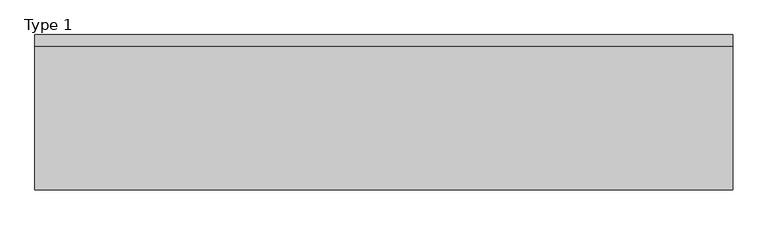
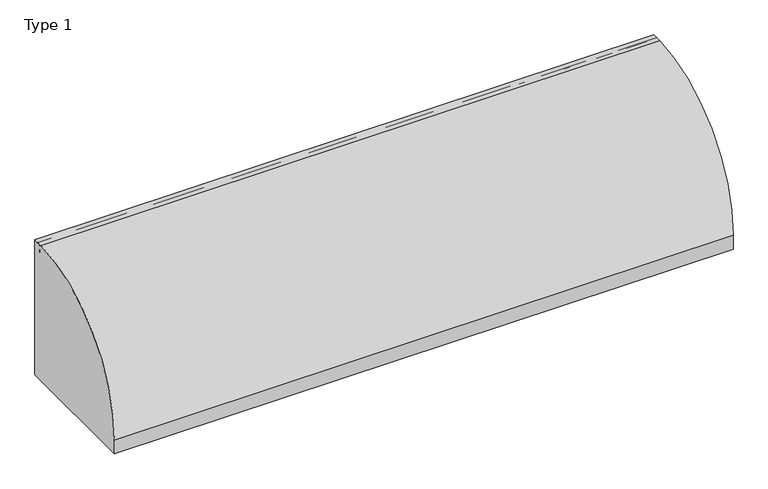
"""IFC4 building model written with IfcOpenShell, lengths in millimetres: railing geometry, Type 1."""

from ifc_helpers import new_model, si_unit, point, frame, frame_2d, origin, place, context, project, spatial, polyline, circle_curve, trimmed, segment, composite_curve, outline, extrude, source, transform, mapped, element, save
from ifc_brep_helpers import plane_surface, cylinder_surface, revolved_surface, advanced_brep


def type_1_77585fd4(model_context):
    return source(origin(), model_context, "Body", "SolidModel", [
        extrude(outline(composite_curve([segment(polyline([(824.2, 1050.0), (824.2, 0.0), (-187.2, 0.0), (-187.2, 108.0)]), True, "CONTINUOUS"), segment(trimmed(circle_curve(frame_2d((754.8273072, 108.0)), 942.0273072), [point((-187.2, 108.0))], [point((747.6546144, 1050.0))], False, "CARTESIAN"), True, "CONTINUOUS"), segment(polyline([(747.6546144, 1050.0), (824.2, 1050.0)]), True, "CONTINUOUS")], self_intersect=False)), frame((-1230.0, 0.0, 0.0), z_axis=(1.0, 0.0, 0.0), x_axis=(0.0, 1.0, 0.0)), (0.0, 0.0, 1.0), 4545.0),
        extrude(outline(composite_curve([segment(polyline([(727.7, 530.617273), (731.7, 530.617273), (731.7, 545.382727), (727.7, 545.382727)]), True, "CONTINUOUS"), segment(trimmed(circle_curve(frame_2d((746.287505, 538.0)), 20.0), [point((727.7, 545.382727))], [point((762.0, 550.3740657))], False, "CARTESIAN"), True, "CONTINUOUS"), segment(polyline([(762.0, 550.3740657), (762.0, 525.6259343)]), True, "CONTINUOUS"), segment(trimmed(circle_curve(frame_2d((746.287505, 538.0)), 20.0), [point((762.0, 525.6259343))], [point((727.7, 530.617273))], False, "CARTESIAN"), True, "CONTINUOUS")], self_intersect=False)), frame((-1180.0, 0.0, 0.0), z_axis=(1.0, 0.0, 0.0), x_axis=(0.0, 1.0, 0.0)), (0.0, 0.0, 1.0), 4475.0),
        extrude(outline(composite_curve([segment(polyline([(802.0, 1011.43534), (802.0, 993.0), (801.0, 993.0), (801.0, 1008.0), (761.0, 1008.0), (761.0, 993.0), (760.0, 993.0), (760.0, 1011.43534)]), True, "CONTINUOUS"), segment(trimmed(circle_curve(frame_2d((781.0, 1025.0)), 25.0), [point((760.0, 1011.43534))], [point((802.0, 1011.43534))], False, "CARTESIAN"), True, "CONTINUOUS")], self_intersect=False)), frame((-1230.0, 0.0, 0.0), z_axis=(1.0, 0.0, 0.0), x_axis=(0.0, 1.0, 0.0)), (0.0, 0.0, 1.0), 4545.0),
        extrude(outline(composite_curve([segment(polyline([(800.0, 185.0), (800.0, 0.0), (598.1818182, 0.0), (598.1818182, 41.5250756)]), True, "CONTINUOUS"), segment(trimmed(circle_curve(frame_2d((609.3939394, 41.5250756)), 11.2121212), [point((598.1818182, 41.5250756))], [point((601.4657725, 49.4532425))], False, "CARTESIAN"), True, "CONTINUOUS"), segment(polyline([(601.4657725, 49.4532425), (715.6668272, 163.6542973)]), True, "CONTINUOUS"), segment(trimmed(circle_curve(frame_2d((767.1999123, 112.1212122)), 72.8787879), [point((715.6668272, 163.6542973))], [point((767.1999123, 185.0))], False, "CARTESIAN"), True, "CONTINUOUS"), segment(polyline([(767.1999123, 185.0), (800.0, 185.0)]), True, "CONTINUOUS")], self_intersect=False), holes=[composite_curve([segment(trimmed(circle_curve(frame_2d((778.6969697, 93.0361975)), 67.389419), [point((711.3075507, 93.0361975))], [point((770.5995631, 159.9373619))], False, "CARTESIAN"), True, "CONTINUOUS"), segment(trimmed(circle_curve(frame_2d((770.8668077, 157.7293747)), 2.2241014), [point((770.5995631, 159.9373619))], [point((773.0909091, 157.7293747))], False, "CARTESIAN"), True, "CONTINUOUS"), segment(polyline([(773.0909091, 157.7293747), (773.0909091, 143.5676849)]), True, "CONTINUOUS"), segment(trimmed(circle_curve(frame_2d((778.6969697, 143.5676849)), 5.6060606), [point((773.0909091, 143.5676849))], [point((784.3030303, 143.5676849))], True, "CARTESIAN"), True, "CONTINUOUS"), segment(polyline([(784.3030303, 143.5676849), (784.3030303, 166.0316771)]), True, "CONTINUOUS"), segment(trimmed(circle_curve(frame_2d((778.6969697, 166.0316771)), 5.6060606), [point((784.3030303, 166.0316771))], [point((778.6969697, 171.6377377))], True, "CARTESIAN"), True, "CONTINUOUS"), segment(trimmed(circle_curve(frame_2d((778.6969697, 93.0361975)), 78.6015402), [point((778.6969697, 171.6377377))], [point((700.0954295, 93.0361975))], True, "CARTESIAN"), True, "CONTINUOUS"), segment(trimmed(circle_curve(frame_2d((705.7014901, 93.0361975)), 5.6060606), [point((700.0954295, 93.0361975))], [point((711.3075507, 93.0361975))], True, "CARTESIAN"), True, "CONTINUOUS")], self_intersect=False)]), frame((1315.0, 0.0, 0.0), z_axis=(1.0, 0.0, 0.0), x_axis=(0.0, 1.0, 0.0)), (0.0, 0.0, 1.0), 2.5),
        advanced_brep(
        [(1382.5, 800.0, 185.0), (1382.5, 800.0, 100.9768515), (1382.5, 800.0, 0.0), (1382.5, 598.1818182, 0.0), (1382.5, 598.1818182, 41.5250756), (1382.5, 601.4657725, 49.4532425), (1382.5, 715.6668272, 163.6542973), (1382.5, 767.1999123, 185.0), (1382.5, 711.3075507, 93.0361975), (1382.5, 770.5995631, 159.9373619), (1382.5, 773.0909091, 157.7293747), (1382.5, 773.0909091, 143.5676849), (1382.5, 784.3030303, 143.5676849), (1382.5, 784.3030303, 166.0316771), (1382.5, 778.6969697, 171.6377377), (1382.5, 700.0954295, 93.0361975), (1385.0, 800.0, 0.0), (1385.0, 800.0, 100.9768515), (1385.0, 802.0, 100.9768515), (1385.0, 802.0, 185.0), (1385.0, 767.1999123, 185.0), (1385.0, 715.6668272, 163.6542973), (1385.0, 601.4657725, 49.4532425), (1385.0, 598.1818182, 41.5250756), (1385.0, 598.1818182, 0.0), (1385.0, 711.3075507, 93.0361975), (1385.0, 700.0954295, 93.0361975), (1385.0, 778.6969697, 171.6377377), (1385.0, 784.3030303, 166.0316771), (1385.0, 784.3030303, 143.5676849), (1385.0, 773.0909091, 143.5676849), (1385.0, 773.0909091, 157.7293747), (1385.0, 770.5995631, 159.9373619), (1315.0, 802.0, 185.0), (1315.0, 800.0, 185.0), (1315.0, 802.0, 100.9768515), (1315.0, 800.0, 100.9768515)],
        [
            (0, 1),
            (1, 2),
            (2, 3),
            (3, 4),
            (4, 5, circle_curve(frame((1382.5, 609.3939394, 41.5250756), z_axis=(-1.0, 0.0, 0.0), x_axis=(0.0, 1.0, 0.0)), 11.2121212)),
            (5, 6),
            (6, 7, circle_curve(frame((1382.5, 767.1999123, 112.1212122), z_axis=(-1.0, 0.0, 0.0), x_axis=(0.0, 1.0, 0.0)), 72.8787879)),
            (7, 0),
            (8, 9, circle_curve(frame((1382.5, 778.6969697, 93.0361975), z_axis=(-1.0, 0.0, 0.0), x_axis=(0.0, 1.0, 0.0)), 67.389419)),
            (9, 10, circle_curve(frame((1382.5, 770.8668077, 157.7293747), z_axis=(-1.0, 0.0, 0.0), x_axis=(0.0, 1.0, 0.0)), 2.2241014)),
            (10, 11),
            (11, 12, circle_curve(frame((1382.5, 778.6969697, 143.5676849), z_axis=(1.0, 0.0, 0.0), x_axis=(0.0, 1.0, 0.0)), 5.6060606)),
            (12, 13),
            (13, 14, circle_curve(frame((1382.5, 778.6969697, 166.0316771), z_axis=(1.0, 0.0, 0.0), x_axis=(0.0, 1.0, 0.0)), 5.6060606)),
            (14, 15, circle_curve(frame((1382.5, 778.6969697, 93.0361975), z_axis=(1.0, 0.0, 0.0), x_axis=(0.0, 1.0, 0.0)), 78.6015402)),
            (15, 8, circle_curve(frame((1382.5, 705.7014901, 93.0361975), z_axis=(1.0, 0.0, 0.0), x_axis=(0.0, 1.0, 0.0)), 5.6060606)),
            (16, 17),
            (17, 18),
            (18, 19),
            (19, 20),
            (20, 21, circle_curve(frame((1385.0, 767.1999123, 112.1212122), z_axis=(1.0, 0.0, 0.0), x_axis=(0.0, 1.0, 0.0)), 72.8787879)),
            (21, 22),
            (22, 23, circle_curve(frame((1385.0, 609.3939394, 41.5250756), z_axis=(1.0, 0.0, 0.0), x_axis=(0.0, 1.0, 0.0)), 11.2121212)),
            (23, 24),
            (24, 16),
            (25, 26, circle_curve(frame((1385.0, 705.7014901, 93.0361975), z_axis=(-1.0, 0.0, 0.0), x_axis=(0.0, 1.0, 0.0)), 5.6060606)),
            (26, 27, circle_curve(frame((1385.0, 778.6969697, 93.0361975), z_axis=(-1.0, 0.0, 0.0), x_axis=(0.0, 1.0, 0.0)), 78.6015402)),
            (27, 28, circle_curve(frame((1385.0, 778.6969697, 166.0316771), z_axis=(-1.0, 0.0, 0.0), x_axis=(0.0, 1.0, 0.0)), 5.6060606)),
            (28, 29),
            (29, 30, circle_curve(frame((1385.0, 778.6969697, 143.5676849), z_axis=(-1.0, 0.0, 0.0), x_axis=(0.0, 1.0, 0.0)), 5.6060606)),
            (30, 31),
            (31, 32, circle_curve(frame((1385.0, 770.8668077, 157.7293747), z_axis=(1.0, 0.0, 0.0), x_axis=(0.0, 1.0, 0.0)), 2.2241014)),
            (32, 25, circle_curve(frame((1385.0, 778.6969697, 93.0361975), z_axis=(1.0, 0.0, 0.0), x_axis=(0.0, 1.0, 0.0)), 67.389419)),
            (7, 20),
            (19, 33),
            (33, 34),
            (34, 0),
            (6, 21),
            (5, 22),
            (4, 23),
            (3, 24),
            (2, 16),
            (1, 17),
            (15, 26),
            (25, 8),
            (14, 27),
            (13, 28),
            (32, 9),
            (12, 29),
            (11, 30),
            (10, 31),
            (18, 35),
            (35, 33),
            (36, 1),
            (34, 36),
            (35, 36),
        ],
        [
            plane_surface(frame((1382.5, 798.2270223, 185.0), z_axis=(-1.0, 0.0, 0.0), x_axis=(0.0, -1.0, 0.0))),
            plane_surface(frame((1385.0, 798.2270223, 185.0), z_axis=(1.0, 0.0, 0.0), x_axis=(0.0, 1.0, 0.0))),
            plane_surface(frame((1382.5, 800.0, 185.0), z_axis=(0.0, 0.0, 1.0), x_axis=(1.0, 0.0, 0.0))),
            cylinder_surface(frame((1385.0, 767.1999123, 112.1212122), z_axis=(-1.0, 0.0, 0.0), x_axis=(0.0, 1.0, 0.0)), 72.8787879),
            plane_surface(frame((1382.5, 715.6668272, 163.6542973), z_axis=(0.0, -0.7071067811865421, 0.7071067811865529), x_axis=(1.0, 0.0, 0.0))),
            cylinder_surface(frame((1385.0, 609.3939394, 41.5250756), z_axis=(-1.0, 0.0, 0.0), x_axis=(0.0, 1.0, 0.0)), 11.2121212),
            plane_surface(frame((1382.5, 598.1818182, 41.5250756), z_axis=(0.0, -1.0, 0.0), x_axis=(1.0, 0.0, 0.0))),
            plane_surface(frame((1382.5, 598.1818182, 0.0), z_axis=(0.0, 0.0, -1.0), x_axis=(1.0, 0.0, 0.0))),
            plane_surface(frame((1382.5, 800.0, 0.0), z_axis=(0.0, 1.0, 0.0), x_axis=(1.0, 0.0, 0.0))),
            revolved_surface(polyline([(1385.0, 711.3075507, 93.0361975), (1382.5, 711.3075507, 93.0361975)]), (1385.0, 705.7014901, 93.0361975), (1.0, 0.0, 0.0)),
            revolved_surface(polyline([(1385.0, 857.2985099, 93.0361975), (1382.5, 857.2985099, 93.0361975)]), (1385.0, 778.6969697, 93.0361975), (1.0, 0.0, 0.0)),
            revolved_surface(polyline([(1385.0, 784.3030302999999, 166.0316771), (1382.5, 784.3030302999999, 166.0316771)]), (1385.0, 778.6969697, 166.0316771), (1.0, 0.0, 0.0)),
            cylinder_surface(frame((1385.0, 778.6969697, 93.0361975), z_axis=(-1.0, 0.0, 0.0), x_axis=(0.0, 1.0, 0.0)), 67.389419),
            plane_surface(frame((1382.5, 784.3030303, 166.0316771), z_axis=(0.0, -1.0, 0.0), x_axis=(1.0, 0.0, 0.0))),
            revolved_surface(polyline([(1385.0, 784.3030302999999, 143.5676849), (1382.5, 784.3030302999999, 143.5676849)]), (1385.0, 778.6969697, 143.5676849), (1.0, 0.0, 0.0)),
            plane_surface(frame((1382.5, 773.0909091, 143.5676849), z_axis=(0.0, 1.0, 0.0), x_axis=(1.0, 0.0, 0.0))),
            cylinder_surface(frame((1385.0, 770.8668077, 157.7293747), z_axis=(-1.0, 0.0, 0.0), x_axis=(0.0, 1.0, 0.0)), 2.2241014),
            plane_surface(frame((1315.0, 802.0, 185.0), z_axis=(0.0, 1.0, 0.0), x_axis=(-1.0, 0.0, 0.0))),
            plane_surface(frame((1315.0, 800.0, 185.0), z_axis=(0.0, -1.0, 0.0), x_axis=(1.0, 0.0, 0.0))),
            plane_surface(frame((1315.0, 802.0, 185.0), z_axis=(-1.0, 0.0, 0.0), x_axis=(0.0, -1.0, 0.0))),
            plane_surface(frame((1315.0, 802.0, 100.9768515), z_axis=(0.0, 0.0, -1.0), x_axis=(0.0, -1.0, 0.0))),
        ],
        [
            (0, [[1, 2, 3, 4, 5, 6, 7, 8], [9, 10, 11, 12, 13, 14, 15, 16]]),
            (1, [[17, 18, 19, 20, 21, 22, 23, 24, 25], [26, 27, 28, 29, 30, 31, 32, 33]]),
            (2, [[34, -20, 35, 36, 37, -8]]),
            (3, [[38, -21, -34, -7]]),
            (4, [[39, -22, -38, -6]]),
            (5, [[40, -23, -39, -5]]),
            (6, [[41, -24, -40, -4]]),
            (7, [[42, -25, -41, -3]]),
            (8, [[-2, 43, -17, -42]]),
            (9, [[44, -26, 45, -16]]),
            (10, [[46, -27, -44, -15]]),
            (11, [[47, -28, -46, -14]]),
            (12, [[-45, -33, 48, -9]]),
            (13, [[49, -29, -47, -13]]),
            (14, [[50, -30, -49, -12]]),
            (15, [[51, -31, -50, -11]]),
            (16, [[-48, -32, -51, -10]]),
            (17, [[-19, 52, 53, -35]]),
            (18, [[54, -1, -37, 55]]),
            (19, [[56, -55, -36, -53]]),
            (20, [[-18, -43, -54, -56, -52]]),
        ],
    ),
        extrude(outline(composite_curve([segment(polyline([(1327.0, 800.0), (1373.0, 800.0)]), True, "CONTINUOUS"), segment(trimmed(circle_curve(frame_2d((1373.0, 795.0)), 5.0), [point((1373.0, 800.0))], [point((1378.0, 795.0))], False, "CARTESIAN"), True, "CONTINUOUS"), segment(polyline([(1378.0, 795.0), (1378.0, 767.0)]), True, "CONTINUOUS"), segment(trimmed(circle_curve(frame_2d((1373.0, 767.0)), 5.0), [point((1378.0, 767.0))], [point((1373.0, 762.0))], False, "CARTESIAN"), True, "CONTINUOUS"), segment(polyline([(1373.0, 762.0), (1327.0, 762.0)]), True, "CONTINUOUS"), segment(trimmed(circle_curve(frame_2d((1327.0, 767.0)), 5.0), [point((1327.0, 762.0))], [point((1322.0, 767.0))], False, "CARTESIAN"), True, "CONTINUOUS"), segment(polyline([(1322.0, 767.0), (1322.0, 795.0)]), True, "CONTINUOUS"), segment(trimmed(circle_curve(frame_2d((1327.0, 795.0)), 5.0), [point((1322.0, 795.0))], [point((1327.0, 800.0))], False, "CARTESIAN"), True, "CONTINUOUS")], self_intersect=False)), frame((0.0, 0.0, 43.0), z_axis=(0.0, 0.0, 1.0), x_axis=(1.0, 0.0, 0.0)), (0.0, 0.0, 1.0), 965.0),
        extrude(outline(composite_curve([segment(polyline([(0.0, 1382.5), (36.5, 1382.5)]), True, "CONTINUOUS"), segment(trimmed(circle_curve(frame_2d((36.5, 1381.0)), 1.5), [point((36.5, 1382.5))], [point((36.5, 1379.5))], False, "CARTESIAN"), True, "CONTINUOUS"), segment(polyline([(36.5, 1379.5), (3.0, 1379.5), (3.0, 1320.5), (36.5, 1320.5)]), True, "CONTINUOUS"), segment(trimmed(circle_curve(frame_2d((36.5, 1319.0)), 1.5), [point((36.5, 1320.5))], [point((36.5, 1317.5))], False, "CARTESIAN"), True, "CONTINUOUS"), segment(polyline([(36.5, 1317.5), (0.0, 1317.5), (0.0, 1382.5)]), True, "CONTINUOUS")], self_intersect=False)), frame((0.0, 0.0, 0.0), z_axis=(0.0, 1.0, 0.0), x_axis=(0.0, 0.0, 1.0)), (0.0, 0.0, 1.0), 800.0),
        extrude(outline(composite_curve([segment(polyline([(800.0, 185.0), (800.0, 0.0), (598.1818182, 0.0), (598.1818182, 41.5250756)]), True, "CONTINUOUS"), segment(trimmed(circle_curve(frame_2d((609.3939394, 41.5250756)), 11.2121212), [point((598.1818182, 41.5250756))], [point((601.4657725, 49.4532425))], False, "CARTESIAN"), True, "CONTINUOUS"), segment(polyline([(601.4657725, 49.4532425), (715.6668272, 163.6542973)]), True, "CONTINUOUS"), segment(trimmed(circle_curve(frame_2d((767.1999123, 112.1212122)), 72.8787879), [point((715.6668272, 163.6542973))], [point((767.1999123, 185.0))], False, "CARTESIAN"), True, "CONTINUOUS"), segment(polyline([(767.1999123, 185.0), (800.0, 185.0)]), True, "CONTINUOUS")], self_intersect=False), holes=[composite_curve([segment(trimmed(circle_curve(frame_2d((778.6969697, 93.0361975)), 67.389419), [point((711.3075507, 93.0361975))], [point((770.5995631, 159.9373619))], False, "CARTESIAN"), True, "CONTINUOUS"), segment(trimmed(circle_curve(frame_2d((770.8668077, 157.7293747)), 2.2241014), [point((770.5995631, 159.9373619))], [point((773.0909091, 157.7293747))], False, "CARTESIAN"), True, "CONTINUOUS"), segment(polyline([(773.0909091, 157.7293747), (773.0909091, 143.5676849)]), True, "CONTINUOUS"), segment(trimmed(circle_curve(frame_2d((778.6969697, 143.5676849)), 5.6060606), [point((773.0909091, 143.5676849))], [point((784.3030303, 143.5676849))], True, "CARTESIAN"), True, "CONTINUOUS"), segment(polyline([(784.3030303, 143.5676849), (784.3030303, 166.0316771)]), True, "CONTINUOUS"), segment(trimmed(circle_curve(frame_2d((778.6969697, 166.0316771)), 5.6060606), [point((784.3030303, 166.0316771))], [point((778.6969697, 171.6377377))], True, "CARTESIAN"), True, "CONTINUOUS"), segment(trimmed(circle_curve(frame_2d((778.6969697, 93.0361975)), 78.6015402), [point((778.6969697, 171.6377377))], [point((700.0954295, 93.0361975))], True, "CARTESIAN"), True, "CONTINUOUS"), segment(trimmed(circle_curve(frame_2d((705.7014901, 93.0361975)), 5.6060606), [point((700.0954295, 93.0361975))], [point((711.3075507, 93.0361975))], True, "CARTESIAN"), True, "CONTINUOUS")], self_intersect=False)]), frame((2637.0, 0.0, 0.0), z_axis=(1.0, 0.0, 0.0), x_axis=(0.0, 1.0, 0.0)), (0.0, 0.0, 1.0), 2.5),
        advanced_brep(
        [(2704.5, 800.0, 185.0), (2704.5, 800.0, 100.9768515), (2704.5, 800.0, 0.0), (2704.5, 598.1818182, 0.0), (2704.5, 598.1818182, 41.5250756), (2704.5, 601.4657725, 49.4532425), (2704.5, 715.6668272, 163.6542973), (2704.5, 767.1999123, 185.0), (2704.5, 711.3075507, 93.0361975), (2704.5, 770.5995631, 159.9373619), (2704.5, 773.0909091, 157.7293747), (2704.5, 773.0909091, 143.5676849), (2704.5, 784.3030303, 143.5676849), (2704.5, 784.3030303, 166.0316771), (2704.5, 778.6969697, 171.6377377), (2704.5, 700.0954295, 93.0361975), (2707.0, 800.0, 0.0), (2707.0, 800.0, 100.9768515), (2707.0, 802.0, 100.9768515), (2707.0, 802.0, 185.0), (2707.0, 767.1999123, 185.0), (2707.0, 715.6668272, 163.6542973), (2707.0, 601.4657725, 49.4532425), (2707.0, 598.1818182, 41.5250756), (2707.0, 598.1818182, 0.0), (2707.0, 711.3075507, 93.0361975), (2707.0, 700.0954295, 93.0361975), (2707.0, 778.6969697, 171.6377377), (2707.0, 784.3030303, 166.0316771), (2707.0, 784.3030303, 143.5676849), (2707.0, 773.0909091, 143.5676849), (2707.0, 773.0909091, 157.7293747), (2707.0, 770.5995631, 159.9373619), (2637.0, 802.0, 185.0), (2637.0, 800.0, 185.0), (2637.0, 802.0, 100.9768515), (2637.0, 800.0, 100.9768515)],
        [
            (0, 1),
            (1, 2),
            (2, 3),
            (3, 4),
            (4, 5, circle_curve(frame((2704.5, 609.3939394, 41.5250756), z_axis=(-1.0, 0.0, 0.0), x_axis=(0.0, 1.0, 0.0)), 11.2121212)),
            (5, 6),
            (6, 7, circle_curve(frame((2704.5, 767.1999123, 112.1212122), z_axis=(-1.0, 0.0, 0.0), x_axis=(0.0, 1.0, 0.0)), 72.8787879)),
            (7, 0),
            (8, 9, circle_curve(frame((2704.5, 778.6969697, 93.0361975), z_axis=(-1.0, 0.0, 0.0), x_axis=(0.0, 1.0, 0.0)), 67.389419)),
            (9, 10, circle_curve(frame((2704.5, 770.8668077, 157.7293747), z_axis=(-1.0, 0.0, 0.0), x_axis=(0.0, 1.0, 0.0)), 2.2241014)),
            (10, 11),
            (11, 12, circle_curve(frame((2704.5, 778.6969697, 143.5676849), z_axis=(1.0, 0.0, 0.0), x_axis=(0.0, 1.0, 0.0)), 5.6060606)),
            (12, 13),
            (13, 14, circle_curve(frame((2704.5, 778.6969697, 166.0316771), z_axis=(1.0, 0.0, 0.0), x_axis=(0.0, 1.0, 0.0)), 5.6060606)),
            (14, 15, circle_curve(frame((2704.5, 778.6969697, 93.0361975), z_axis=(1.0, 0.0, 0.0), x_axis=(0.0, 1.0, 0.0)), 78.6015402)),
            (15, 8, circle_curve(frame((2704.5, 705.7014901, 93.0361975), z_axis=(1.0, 0.0, 0.0), x_axis=(0.0, 1.0, 0.0)), 5.6060606)),
            (16, 17),
            (17, 18),
            (18, 19),
            (19, 20),
            (20, 21, circle_curve(frame((2707.0, 767.1999123, 112.1212122), z_axis=(1.0, 0.0, 0.0), x_axis=(0.0, 1.0, 0.0)), 72.8787879)),
            (21, 22),
            (22, 23, circle_curve(frame((2707.0, 609.3939394, 41.5250756), z_axis=(1.0, 0.0, 0.0), x_axis=(0.0, 1.0, 0.0)), 11.2121212)),
            (23, 24),
            (24, 16),
            (25, 26, circle_curve(frame((2707.0, 705.7014901, 93.0361975), z_axis=(-1.0, 0.0, 0.0), x_axis=(0.0, 1.0, 0.0)), 5.6060606)),
            (26, 27, circle_curve(frame((2707.0, 778.6969697, 93.0361975), z_axis=(-1.0, 0.0, 0.0), x_axis=(0.0, 1.0, 0.0)), 78.6015402)),
            (27, 28, circle_curve(frame((2707.0, 778.6969697, 166.0316771), z_axis=(-1.0, 0.0, 0.0), x_axis=(0.0, 1.0, 0.0)), 5.6060606)),
            (28, 29),
            (29, 30, circle_curve(frame((2707.0, 778.6969697, 143.5676849), z_axis=(-1.0, 0.0, 0.0), x_axis=(0.0, 1.0, 0.0)), 5.6060606)),
            (30, 31),
            (31, 32, circle_curve(frame((2707.0, 770.8668077, 157.7293747), z_axis=(1.0, 0.0, 0.0), x_axis=(0.0, 1.0, 0.0)), 2.2241014)),
            (32, 25, circle_curve(frame((2707.0, 778.6969697, 93.0361975), z_axis=(1.0, 0.0, 0.0), x_axis=(0.0, 1.0, 0.0)), 67.389419)),
            (7, 20),
            (19, 33),
            (33, 34),
            (34, 0),
            (6, 21),
            (5, 22),
            (4, 23),
            (3, 24),
            (2, 16),
            (1, 17),
            (15, 26),
            (25, 8),
            (14, 27),
            (13, 28),
            (32, 9),
            (12, 29),
            (11, 30),
            (10, 31),
            (18, 35),
            (35, 33),
            (36, 1),
            (34, 36),
            (35, 36),
        ],
        [
            plane_surface(frame((2704.5, 798.2270223, 185.0), z_axis=(-1.0, 0.0, 0.0), x_axis=(0.0, -1.0, 0.0))),
            plane_surface(frame((2707.0, 798.2270223, 185.0), z_axis=(1.0, 0.0, 0.0), x_axis=(0.0, 1.0, 0.0))),
            plane_surface(frame((2704.5, 800.0, 185.0), z_axis=(0.0, 0.0, 1.0), x_axis=(1.0, 0.0, 0.0))),
            cylinder_surface(frame((2707.0, 767.1999123, 112.1212122), z_axis=(-1.0, 0.0, 0.0), x_axis=(0.0, 1.0, 0.0)), 72.8787879),
            plane_surface(frame((2704.5, 715.6668272, 163.6542973), z_axis=(0.0, -0.7071067811865421, 0.7071067811865529), x_axis=(1.0, 0.0, 0.0))),
            cylinder_surface(frame((2707.0, 609.3939394, 41.5250756), z_axis=(-1.0, 0.0, 0.0), x_axis=(0.0, 1.0, 0.0)), 11.2121212),
            plane_surface(frame((2704.5, 598.1818182, 41.5250756), z_axis=(0.0, -1.0, 0.0), x_axis=(1.0, 0.0, 0.0))),
            plane_surface(frame((2704.5, 598.1818182, 0.0), z_axis=(0.0, 0.0, -1.0), x_axis=(1.0, 0.0, 0.0))),
            plane_surface(frame((2704.5, 800.0, 0.0), z_axis=(0.0, 1.0, 0.0), x_axis=(1.0, 0.0, 0.0))),
            revolved_surface(polyline([(2707.0, 711.3075507, 93.0361975), (2704.5, 711.3075507, 93.0361975)]), (2707.0, 705.7014901, 93.0361975), (1.0, 0.0, 0.0)),
            revolved_surface(polyline([(2707.0, 857.2985099, 93.0361975), (2704.5, 857.2985099, 93.0361975)]), (2707.0, 778.6969697, 93.0361975), (1.0, 0.0, 0.0)),
            revolved_surface(polyline([(2707.0, 784.3030302999999, 166.0316771), (2704.5, 784.3030302999999, 166.0316771)]), (2707.0, 778.6969697, 166.0316771), (1.0, 0.0, 0.0)),
            cylinder_surface(frame((2707.0, 778.6969697, 93.0361975), z_axis=(-1.0, 0.0, 0.0), x_axis=(0.0, 1.0, 0.0)), 67.389419),
            plane_surface(frame((2704.5, 784.3030303, 166.0316771), z_axis=(0.0, -1.0, 0.0), x_axis=(1.0, 0.0, 0.0))),
            revolved_surface(polyline([(2707.0, 784.3030302999999, 143.5676849), (2704.5, 784.3030302999999, 143.5676849)]), (2707.0, 778.6969697, 143.5676849), (1.0, 0.0, 0.0)),
            plane_surface(frame((2704.5, 773.0909091, 143.5676849), z_axis=(0.0, 1.0, 0.0), x_axis=(1.0, 0.0, 0.0))),
            cylinder_surface(frame((2707.0, 770.8668077, 157.7293747), z_axis=(-1.0, 0.0, 0.0), x_axis=(0.0, 1.0, 0.0)), 2.2241014),
            plane_surface(frame((2637.0, 802.0, 185.0), z_axis=(0.0, 1.0, 0.0), x_axis=(-1.0, 0.0, 0.0))),
            plane_surface(frame((2637.0, 800.0, 185.0), z_axis=(0.0, -1.0, 0.0), x_axis=(1.0, 0.0, 0.0))),
            plane_surface(frame((2637.0, 802.0, 185.0), z_axis=(-1.0, 0.0, 0.0), x_axis=(0.0, -1.0, 0.0))),
            plane_surface(frame((2637.0, 802.0, 100.9768515), z_axis=(0.0, 0.0, -1.0), x_axis=(0.0, -1.0, 0.0))),
        ],
        [
            (0, [[1, 2, 3, 4, 5, 6, 7, 8], [9, 10, 11, 12, 13, 14, 15, 16]]),
            (1, [[17, 18, 19, 20, 21, 22, 23, 24, 25], [26, 27, 28, 29, 30, 31, 32, 33]]),
            (2, [[34, -20, 35, 36, 37, -8]]),
            (3, [[38, -21, -34, -7]]),
            (4, [[39, -22, -38, -6]]),
            (5, [[40, -23, -39, -5]]),
            (6, [[41, -24, -40, -4]]),
            (7, [[42, -25, -41, -3]]),
            (8, [[-2, 43, -17, -42]]),
            (9, [[44, -26, 45, -16]]),
            (10, [[46, -27, -44, -15]]),
            (11, [[47, -28, -46, -14]]),
            (12, [[-45, -33, 48, -9]]),
            (13, [[49, -29, -47, -13]]),
            (14, [[50, -30, -49, -12]]),
            (15, [[51, -31, -50, -11]]),
            (16, [[-48, -32, -51, -10]]),
            (17, [[-19, 52, 53, -35]]),
            (18, [[54, -1, -37, 55]]),
            (19, [[56, -55, -36, -53]]),
            (20, [[-18, -43, -54, -56, -52]]),
        ],
    ),
        extrude(outline(composite_curve([segment(polyline([(2649.0, 800.0), (2695.0, 800.0)]), True, "CONTINUOUS"), segment(trimmed(circle_curve(frame_2d((2695.0, 795.0)), 5.0), [point((2695.0, 800.0))], [point((2700.0, 795.0))], False, "CARTESIAN"), True, "CONTINUOUS"), segment(polyline([(2700.0, 795.0), (2700.0, 767.0)]), True, "CONTINUOUS"), segment(trimmed(circle_curve(frame_2d((2695.0, 767.0)), 5.0), [point((2700.0, 767.0))], [point((2695.0, 762.0))], False, "CARTESIAN"), True, "CONTINUOUS"), segment(polyline([(2695.0, 762.0), (2649.0, 762.0)]), True, "CONTINUOUS"), segment(trimmed(circle_curve(frame_2d((2649.0, 767.0)), 5.0), [point((2649.0, 762.0))], [point((2644.0, 767.0))], False, "CARTESIAN"), True, "CONTINUOUS"), segment(polyline([(2644.0, 767.0), (2644.0, 795.0)]), True, "CONTINUOUS"), segment(trimmed(circle_curve(frame_2d((2649.0, 795.0)), 5.0), [point((2644.0, 795.0))], [point((2649.0, 800.0))], False, "CARTESIAN"), True, "CONTINUOUS")], self_intersect=False)), frame((0.0, 0.0, 43.0), z_axis=(0.0, 0.0, 1.0), x_axis=(1.0, 0.0, 0.0)), (0.0, 0.0, 1.0), 965.0),
        extrude(outline(composite_curve([segment(polyline([(0.0, 2704.5), (36.5, 2704.5)]), True, "CONTINUOUS"), segment(trimmed(circle_curve(frame_2d((36.5, 2703.0)), 1.5), [point((36.5, 2704.5))], [point((36.5, 2701.5))], False, "CARTESIAN"), True, "CONTINUOUS"), segment(polyline([(36.5, 2701.5), (3.0, 2701.5), (3.0, 2642.5), (36.5, 2642.5)]), True, "CONTINUOUS"), segment(trimmed(circle_curve(frame_2d((36.5, 2641.0)), 1.5), [point((36.5, 2642.5))], [point((36.5, 2639.5))], False, "CARTESIAN"), True, "CONTINUOUS"), segment(polyline([(36.5, 2639.5), (0.0, 2639.5), (0.0, 2704.5)]), True, "CONTINUOUS")], self_intersect=False)), frame((0.0, 0.0, 0.0), z_axis=(0.0, 1.0, 0.0), x_axis=(0.0, 0.0, 1.0)), (0.0, 0.0, 1.0), 800.0),
        extrude(outline(composite_curve([segment(polyline([(800.0, 185.0), (800.0, 0.0), (598.1818182, 0.0), (598.1818182, 41.5250755)]), True, "CONTINUOUS"), segment(trimmed(circle_curve(frame_2d((609.3939394, 41.5250755)), 11.2121212), [point((598.1818182, 41.5250755))], [point((601.4657725, 49.4532425))], False, "CARTESIAN"), True, "CONTINUOUS"), segment(polyline([(601.4657725, 49.4532425), (715.6668272, 163.6542972)]), True, "CONTINUOUS"), segment(trimmed(circle_curve(frame_2d((767.1999123, 112.1212121)), 72.8787879), [point((715.6668272, 163.6542972))], [point((767.1999123, 185.0))], False, "CARTESIAN"), True, "CONTINUOUS"), segment(polyline([(767.1999123, 185.0), (800.0, 185.0)]), True, "CONTINUOUS")], self_intersect=False), holes=[composite_curve([segment(trimmed(circle_curve(frame_2d((778.6969697, 93.0361974)), 67.389419), [point((711.3075507, 93.0361974))], [point((770.5995631, 159.9373618))], False, "CARTESIAN"), True, "CONTINUOUS"), segment(trimmed(circle_curve(frame_2d((770.8668077, 157.7293746)), 2.2241014), [point((770.5995631, 159.9373618))], [point((773.0909091, 157.7293746))], False, "CARTESIAN"), True, "CONTINUOUS"), segment(polyline([(773.0909091, 157.7293746), (773.0909091, 143.5676849)]), True, "CONTINUOUS"), segment(trimmed(circle_curve(frame_2d((778.6969697, 143.5676849)), 5.6060606), [point((773.0909091, 143.5676849))], [point((784.3030303, 143.5676849))], True, "CARTESIAN"), True, "CONTINUOUS"), segment(polyline([(784.3030303, 143.5676849), (784.3030303, 166.031677)]), True, "CONTINUOUS"), segment(trimmed(circle_curve(frame_2d((778.6969697, 166.031677)), 5.6060606), [point((784.3030303, 166.031677))], [point((778.6969697, 171.6377376))], True, "CARTESIAN"), True, "CONTINUOUS"), segment(trimmed(circle_curve(frame_2d((778.6969697, 93.0361974)), 78.6015402), [point((778.6969697, 171.6377376))], [point((700.0954295, 93.0361974))], True, "CARTESIAN"), True, "CONTINUOUS"), segment(trimmed(circle_curve(frame_2d((705.7014901, 93.0361974)), 5.6060606), [point((700.0954295, 93.0361974))], [point((711.3075507, 93.0361974))], True, "CARTESIAN"), True, "CONTINUOUS")], self_intersect=False)]), frame((-7.0, 0.0, 0.0), z_axis=(1.0, 0.0, 0.0), x_axis=(0.0, 1.0, 0.0)), (0.0, 0.0, 1.0), 2.5),
        advanced_brep(
        [(60.5, 800.0, 185.0), (60.5, 800.0, 100.9768514), (60.5, 800.0, 0.0), (60.5, 598.1818182, 0.0), (60.5, 598.1818182, 41.5250755), (60.5, 601.4657725, 49.4532425), (60.5, 715.6668272, 163.6542972), (60.5, 767.1999123, 185.0), (60.5, 711.3075507, 93.0361974), (60.5, 770.5995631, 159.9373618), (60.5, 773.0909091, 157.7293746), (60.5, 773.0909091, 143.5676849), (60.5, 784.3030303, 143.5676849), (60.5, 784.3030303, 166.031677), (60.5, 778.6969697, 171.6377376), (60.5, 700.0954295, 93.0361974), (63.0, 800.0, 0.0), (63.0, 800.0, 100.9768514), (63.0, 802.0, 100.9768514), (63.0, 802.0, 185.0), (63.0, 767.1999123, 185.0), (63.0, 715.6668272, 163.6542972), (63.0, 601.4657725, 49.4532425), (63.0, 598.1818182, 41.5250755), (63.0, 598.1818182, 0.0), (63.0, 711.3075507, 93.0361974), (63.0, 700.0954295, 93.0361974), (63.0, 778.6969697, 171.6377376), (63.0, 784.3030303, 166.031677), (63.0, 784.3030303, 143.5676849), (63.0, 773.0909091, 143.5676849), (63.0, 773.0909091, 157.7293746), (63.0, 770.5995631, 159.9373618), (-7.0, 802.0, 185.0), (-7.0, 800.0, 185.0), (-7.0, 802.0, 100.9768514), (-7.0, 800.0, 100.9768514)],
        [
            (0, 1),
            (1, 2),
            (2, 3),
            (3, 4),
            (4, 5, circle_curve(frame((60.5, 609.3939394, 41.5250755), z_axis=(-1.0, 0.0, 0.0), x_axis=(0.0, 1.0, 0.0)), 11.2121212)),
            (5, 6),
            (6, 7, circle_curve(frame((60.5, 767.1999123, 112.1212121), z_axis=(-1.0, 0.0, 0.0), x_axis=(0.0, 1.0, 0.0)), 72.8787879)),
            (7, 0),
            (8, 9, circle_curve(frame((60.5, 778.6969697, 93.0361974), z_axis=(-1.0, 0.0, 0.0), x_axis=(0.0, 1.0, 0.0)), 67.389419)),
            (9, 10, circle_curve(frame((60.5, 770.8668077, 157.7293746), z_axis=(-1.0, 0.0, 0.0), x_axis=(0.0, 1.0, 0.0)), 2.2241014)),
            (10, 11),
            (11, 12, circle_curve(frame((60.5, 778.6969697, 143.5676849), z_axis=(1.0, 0.0, 0.0), x_axis=(0.0, 1.0, 0.0)), 5.6060606)),
            (12, 13),
            (13, 14, circle_curve(frame((60.5, 778.6969697, 166.031677), z_axis=(1.0, 0.0, 0.0), x_axis=(0.0, 1.0, 0.0)), 5.6060606)),
            (14, 15, circle_curve(frame((60.5, 778.6969697, 93.0361974), z_axis=(1.0, 0.0, 0.0), x_axis=(0.0, 1.0, 0.0)), 78.6015402)),
            (15, 8, circle_curve(frame((60.5, 705.7014901, 93.0361974), z_axis=(1.0, 0.0, 0.0), x_axis=(0.0, 1.0, 0.0)), 5.6060606)),
            (16, 17),
            (17, 18),
            (18, 19),
            (19, 20),
            (20, 21, circle_curve(frame((63.0, 767.1999123, 112.1212121), z_axis=(1.0, 0.0, 0.0), x_axis=(0.0, 1.0, 0.0)), 72.8787879)),
            (21, 22),
            (22, 23, circle_curve(frame((63.0, 609.3939394, 41.5250755), z_axis=(1.0, 0.0, 0.0), x_axis=(0.0, 1.0, 0.0)), 11.2121212)),
            (23, 24),
            (24, 16),
            (25, 26, circle_curve(frame((63.0, 705.7014901, 93.0361974), z_axis=(-1.0, 0.0, 0.0), x_axis=(0.0, 1.0, 0.0)), 5.6060606)),
            (26, 27, circle_curve(frame((63.0, 778.6969697, 93.0361974), z_axis=(-1.0, 0.0, 0.0), x_axis=(0.0, 1.0, 0.0)), 78.6015402)),
            (27, 28, circle_curve(frame((63.0, 778.6969697, 166.031677), z_axis=(-1.0, 0.0, 0.0), x_axis=(0.0, 1.0, 0.0)), 5.6060606)),
            (28, 29),
            (29, 30, circle_curve(frame((63.0, 778.6969697, 143.5676849), z_axis=(-1.0, 0.0, 0.0), x_axis=(0.0, 1.0, 0.0)), 5.6060606)),
            (30, 31),
            (31, 32, circle_curve(frame((63.0, 770.8668077, 157.7293746), z_axis=(1.0, 0.0, 0.0), x_axis=(0.0, 1.0, 0.0)), 2.2241014)),
            (32, 25, circle_curve(frame((63.0, 778.6969697, 93.0361974), z_axis=(1.0, 0.0, 0.0), x_axis=(0.0, 1.0, 0.0)), 67.389419)),
            (7, 20),
            (19, 33),
            (33, 34),
            (34, 0),
            (6, 21),
            (5, 22),
            (4, 23),
            (3, 24),
            (2, 16),
            (1, 17),
            (15, 26),
            (25, 8),
            (14, 27),
            (13, 28),
            (32, 9),
            (12, 29),
            (11, 30),
            (10, 31),
            (18, 35),
            (35, 33),
            (36, 1),
            (34, 36),
            (35, 36),
        ],
        [
            plane_surface(frame((60.5, 798.2270223, 185.0), z_axis=(-1.0, 0.0, 0.0), x_axis=(0.0, -1.0, 0.0))),
            plane_surface(frame((63.0, 798.2270223, 185.0), z_axis=(1.0, 0.0, 0.0), x_axis=(0.0, 1.0, 0.0))),
            plane_surface(frame((60.5, 800.0, 185.0), z_axis=(0.0, 0.0, 1.0), x_axis=(1.0, 0.0, 0.0))),
            cylinder_surface(frame((63.0, 767.1999123, 112.1212121), z_axis=(-1.0, 0.0, 0.0), x_axis=(0.0, 1.0, 0.0)), 72.8787879),
            plane_surface(frame((60.5, 715.6668272, 163.6542972), z_axis=(0.0, -0.7071067811865421, 0.7071067811865529), x_axis=(1.0, 0.0, 0.0))),
            cylinder_surface(frame((63.0, 609.3939394, 41.5250755), z_axis=(-1.0, 0.0, 0.0), x_axis=(0.0, 1.0, 0.0)), 11.2121212),
            plane_surface(frame((60.5, 598.1818182, 41.5250755), z_axis=(0.0, -1.0, 0.0), x_axis=(1.0, 0.0, 0.0))),
            plane_surface(frame((60.5, 598.1818182, 0.0), z_axis=(0.0, 0.0, -1.0), x_axis=(1.0, 0.0, 0.0))),
            plane_surface(frame((60.5, 800.0, 0.0), z_axis=(0.0, 1.0, 0.0), x_axis=(1.0, 0.0, 0.0))),
            revolved_surface(polyline([(63.0, 711.3075507, 93.0361974), (60.5, 711.3075507, 93.0361974)]), (63.0, 705.7014901, 93.0361974), (1.0, 0.0, 0.0)),
            revolved_surface(polyline([(63.0, 857.2985099, 93.0361974), (60.5, 857.2985099, 93.0361974)]), (63.0, 778.6969697, 93.0361974), (1.0, 0.0, 0.0)),
            revolved_surface(polyline([(63.0, 784.3030302999999, 166.031677), (60.5, 784.3030302999999, 166.031677)]), (63.0, 778.6969697, 166.031677), (1.0, 0.0, 0.0)),
            cylinder_surface(frame((63.0, 778.6969697, 93.0361974), z_axis=(-1.0, 0.0, 0.0), x_axis=(0.0, 1.0, 0.0)), 67.389419),
            plane_surface(frame((60.5, 784.3030303, 166.031677), z_axis=(0.0, -1.0, 0.0), x_axis=(1.0, 0.0, 0.0))),
            revolved_surface(polyline([(63.0, 784.3030302999999, 143.5676849), (60.5, 784.3030302999999, 143.5676849)]), (63.0, 778.6969697, 143.5676849), (1.0, 0.0, 0.0)),
            plane_surface(frame((60.5, 773.0909091, 143.5676849), z_axis=(0.0, 1.0, 0.0), x_axis=(1.0, 0.0, 0.0))),
            cylinder_surface(frame((63.0, 770.8668077, 157.7293746), z_axis=(-1.0, 0.0, 0.0), x_axis=(0.0, 1.0, 0.0)), 2.2241014),
            plane_surface(frame((-7.0, 802.0, 185.0), z_axis=(0.0, 1.0, 0.0), x_axis=(-1.0, 0.0, 0.0))),
            plane_surface(frame((-7.0, 800.0, 185.0), z_axis=(0.0, -1.0, 0.0), x_axis=(1.0, 0.0, 0.0))),
            plane_surface(frame((-7.0, 802.0, 185.0), z_axis=(-1.0, 0.0, 0.0), x_axis=(0.0, -1.0, 0.0))),
            plane_surface(frame((-7.0, 802.0, 100.9768514), z_axis=(0.0, 0.0, -1.0), x_axis=(0.0, -1.0, 0.0))),
        ],
        [
            (0, [[1, 2, 3, 4, 5, 6, 7, 8], [9, 10, 11, 12, 13, 14, 15, 16]]),
            (1, [[17, 18, 19, 20, 21, 22, 23, 24, 25], [26, 27, 28, 29, 30, 31, 32, 33]]),
            (2, [[34, -20, 35, 36, 37, -8]]),
            (3, [[38, -21, -34, -7]]),
            (4, [[39, -22, -38, -6]]),
            (5, [[40, -23, -39, -5]]),
            (6, [[41, -24, -40, -4]]),
            (7, [[42, -25, -41, -3]]),
            (8, [[-2, 43, -17, -42]]),
            (9, [[44, -26, 45, -16]]),
            (10, [[46, -27, -44, -15]]),
            (11, [[47, -28, -46, -14]]),
            (12, [[-45, -33, 48, -9]]),
            (13, [[49, -29, -47, -13]]),
            (14, [[50, -30, -49, -12]]),
            (15, [[51, -31, -50, -11]]),
            (16, [[-48, -32, -51, -10]]),
            (17, [[-19, 52, 53, -35]]),
            (18, [[54, -1, -37, 55]]),
            (19, [[56, -55, -36, -53]]),
            (20, [[-18, -43, -54, -56, -52]]),
        ],
    ),
        extrude(outline(composite_curve([segment(polyline([(5.0, 800.0), (51.0, 800.0)]), True, "CONTINUOUS"), segment(trimmed(circle_curve(frame_2d((51.0, 795.0)), 5.0), [point((51.0, 800.0))], [point((56.0, 795.0))], False, "CARTESIAN"), True, "CONTINUOUS"), segment(polyline([(56.0, 795.0), (56.0, 767.0)]), True, "CONTINUOUS"), segment(trimmed(circle_curve(frame_2d((51.0, 767.0)), 5.0), [point((56.0, 767.0))], [point((51.0, 762.0))], False, "CARTESIAN"), True, "CONTINUOUS"), segment(polyline([(51.0, 762.0), (5.0, 762.0)]), True, "CONTINUOUS"), segment(trimmed(circle_curve(frame_2d((5.0, 767.0)), 5.0), [point((5.0, 762.0))], [point((0.0, 767.0))], False, "CARTESIAN"), True, "CONTINUOUS"), segment(polyline([(0.0, 767.0), (0.0, 795.0)]), True, "CONTINUOUS"), segment(trimmed(circle_curve(frame_2d((5.0, 795.0)), 5.0), [point((0.0, 795.0))], [point((5.0, 800.0))], False, "CARTESIAN"), True, "CONTINUOUS")], self_intersect=False)), frame((0.0, 0.0, 43.0), z_axis=(0.0, 0.0, 1.0), x_axis=(1.0, 0.0, 0.0)), (0.0, 0.0, 1.0), 965.0),
        extrude(outline(composite_curve([segment(polyline([(0.0, 60.5), (36.5, 60.5)]), True, "CONTINUOUS"), segment(trimmed(circle_curve(frame_2d((36.5, 59.0)), 1.5), [point((36.5, 60.5))], [point((36.5, 57.5))], False, "CARTESIAN"), True, "CONTINUOUS"), segment(polyline([(36.5, 57.5), (3.0, 57.5), (3.0, -1.5), (36.5, -1.5)]), True, "CONTINUOUS"), segment(trimmed(circle_curve(frame_2d((36.5, -3.0)), 1.5), [point((36.5, -1.5))], [point((36.5, -4.5))], False, "CARTESIAN"), True, "CONTINUOUS"), segment(polyline([(36.5, -4.5), (0.0, -4.5), (0.0, 60.5)]), True, "CONTINUOUS")], self_intersect=False)), frame((0.0, 0.0, 0.0), z_axis=(0.0, 1.0, 0.0), x_axis=(0.0, 0.0, 1.0)), (0.0, 0.0, 1.0), 800.0),
    ])


if __name__ == "__main__":
    model = new_model("IFC4")
    model_context = context("Model", 3, world=origin())
    ifc_project = project(units=[si_unit("LENGTHUNIT", "METRE", prefix="MILLI")], contexts=[model_context])
    site = spatial("IfcSite", under=ifc_project)
    building = spatial("IfcBuilding", under=site)
    placement = place(None, origin())
    type_1_shape = type_1_77585fd4(model_context)
    element("IfcRailing", 1, ObjectType="Type 1", at=placement, inside=building, context=model_context, shape_type="MappedRepresentation", body=[
        mapped(type_1_shape, transform((0.0, 0.0, 0.0), x_axis=(1.0, 0.0, 0.0), y_axis=(0.0, 1.0, 0.0), z_axis=(0.0, 0.0, 1.0))),
    ])
    save(model, "model.ifc")
